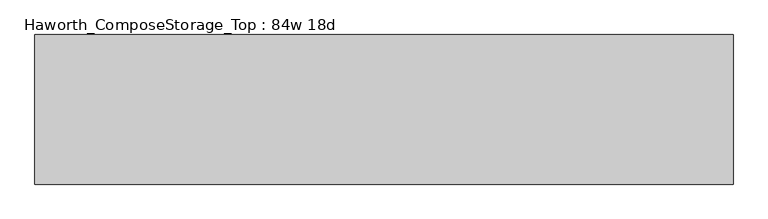
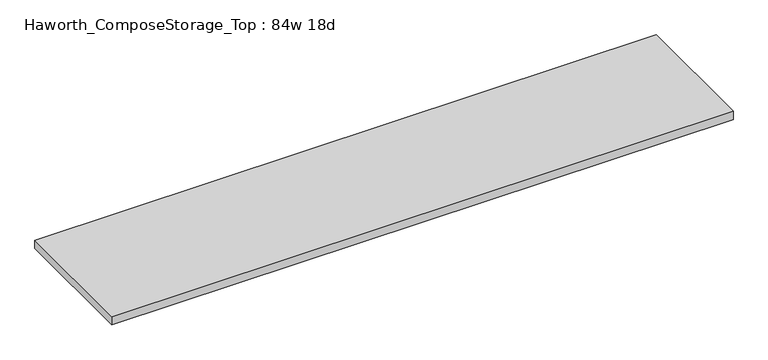
"""IFC4 building model written with IfcOpenShell, lengths in millimetres: furniture geometry, Haworth_ComposeStorage_Top : 84w 18d."""

from ifc_helpers import new_model, si_unit, frame, origin, place, context, project, spatial, polyline, outline, extrude, source, transform, mapped, element, save


def haworth_composestorage_top_84w_18d_fab7a251(model_context):
    return source(origin(), model_context, "Body", "SweptSolid", [
        extrude(outline(polyline([(1066.8, 228.6), (1066.8, -228.6), (-1066.8, -228.6), (-1066.8, 228.6), (1066.8, 228.6)])), frame((0.0, 0.0, 706.4375), z_axis=(0.0, 0.0, 1.0), x_axis=(1.0, 0.0, 0.0)), (0.0, 0.0, 1.0), 30.1625),
    ])


if __name__ == "__main__":
    model = new_model("IFC4")
    model_context = context("Model", 3, world=origin())
    ifc_project = project(units=[si_unit("LENGTHUNIT", "METRE", prefix="MILLI")], contexts=[model_context])
    site = spatial("IfcSite", under=ifc_project)
    building = spatial("IfcBuilding", under=site)
    placement = place(None, origin())
    haworth_composestorage_top_84w_18d_shape = haworth_composestorage_top_84w_18d_fab7a251(model_context)
    element("IfcFurniture", 1, ObjectType="Haworth_ComposeStorage_Top : 84w 18d", at=placement, inside=building, context=model_context, shape_type="MappedRepresentation", body=[
        mapped(haworth_composestorage_top_84w_18d_shape, transform((0.0, 0.0, 0.0), x_axis=(1.0, 0.0, 0.0), y_axis=(0.0, 1.0, 0.0), z_axis=(0.0, 0.0, 1.0))),
    ])
    save(model, "model.ifc")
